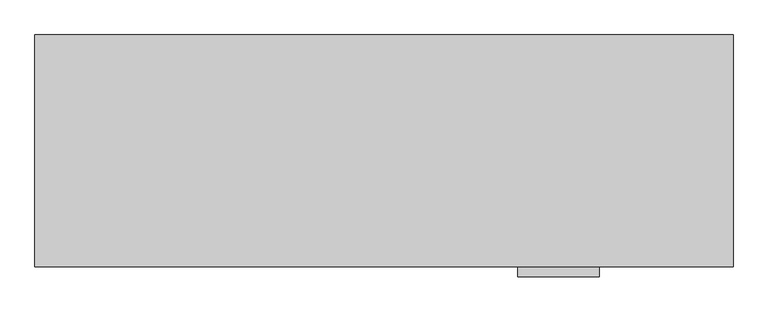
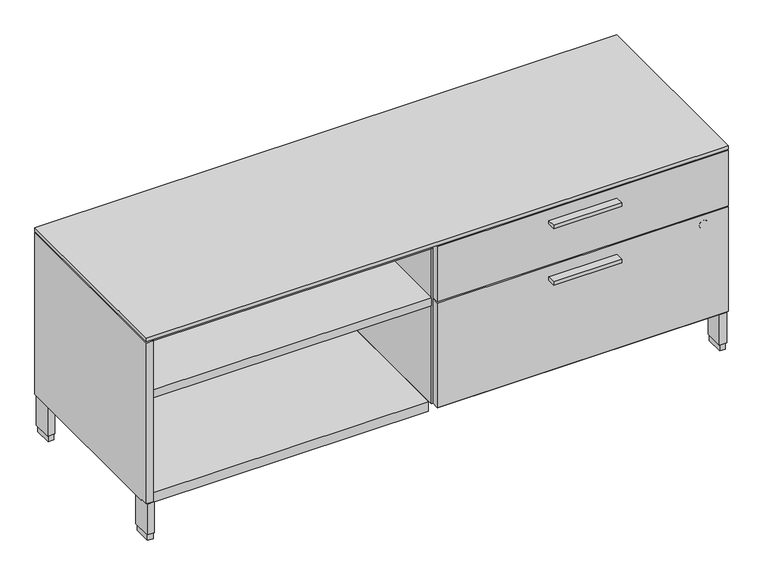
"""IFC4 building model written with IfcOpenShell, lengths in millimetres: furniture geometry."""

from ifc_helpers import new_model, si_unit, point, frame, frame_2d, origin, origin_with_axes, place, context, project, spatial, polyline, circle_curve, trimmed, segment, composite_curve, outline, extrude, faceted_brep, source, transform, mapped, element, save


def furniture_b9c8f60e(model_context):
    return source(origin(), model_context, "Body", "SolidModel", [
        extrude(outline(polyline([(1231.10625, -528.574), (1053.30625, -528.574), (1053.30625, -506.349), (1231.10625, -506.349), (1231.10625, -528.574)])), frame((0.0, 0.0, 354.838), z_axis=(0.0, 0.0, 1.0), x_axis=(1.0, 0.0, 0.0)), (0.0, 0.0, 1.0), 9.525),
        extrude(outline(polyline([(1231.10625, -528.574), (1053.30625, -528.574), (1053.30625, -506.349), (1231.10625, -506.349), (1231.10625, -528.574)])), frame((0.0, 0.0, 510.794), z_axis=(0.0, 0.0, 1.0), x_axis=(1.0, 0.0, 0.0)), (0.0, 0.0, 1.0), 9.525),
        extrude(outline(polyline([(1503.1085, -20.828), (1503.1085, -503.809), (764.2098, -503.809), (764.2098, -20.828), (1503.1085, -20.828)])), frame((0.0, 0.0, 102.108), z_axis=(0.0, 0.0, 1.0), x_axis=(1.0, 0.0, 0.0)), (0.0, 0.0, 1.0), 25.4),
        extrude(outline(polyline([(739.775, -20.828), (739.775, -503.809), (20.8915, -503.809), (20.8915, -20.828), (739.775, -20.828)])), frame((0.0, 0.0, 102.108), z_axis=(0.0, 0.0, 1.0), x_axis=(1.0, 0.0, 0.0)), (0.0, 0.0, 1.0), 25.4),
        extrude(outline(polyline([(21.2979, -5.715), (21.2979, -52.197), (6.5659, -52.197), (6.5659, -5.715), (21.2979, -5.715)])), origin_with_axes(), (0.0, 0.0, 1.0), 17.399),
        extrude(outline(polyline([(21.2979, -455.676), (21.2979, -502.158), (6.5659, -502.158), (6.5659, -455.676), (21.2979, -455.676)])), origin_with_axes(), (0.0, 0.0, 1.0), 17.399),
        extrude(outline(polyline([(1517.4341, -455.676), (1517.4341, -502.158), (1502.7021, -502.158), (1502.7021, -455.676), (1517.4341, -455.676)])), origin_with_axes(), (0.0, 0.0, 1.0), 17.399),
        extrude(outline(polyline([(1517.4341, -5.715), (1517.4341, -52.197), (1502.7021, -52.197), (1502.7021, -5.715), (1517.4341, -5.715)])), origin_with_axes(), (0.0, 0.0, 1.0), 17.399),
        extrude(outline(polyline([(23.4569, -3.556), (23.4569, -54.356), (4.4069, -54.356), (4.4069, -3.556), (23.4569, -3.556)])), frame((0.0, 0.0, 17.399), z_axis=(0.0, 0.0, 1.0), x_axis=(1.0, 0.0, 0.0)), (0.0, 0.0, 1.0), 84.709),
        extrude(outline(polyline([(1519.5931, -3.556), (1519.5931, -54.356), (1500.5431, -54.356), (1500.5431, -3.556), (1519.5931, -3.556)])), frame((0.0, 0.0, 17.399), z_axis=(0.0, 0.0, 1.0), x_axis=(1.0, 0.0, 0.0)), (0.0, 0.0, 1.0), 84.709),
        extrude(outline(polyline([(1519.5931, -453.517), (1519.5931, -504.317), (1500.5431, -504.317), (1500.5431, -453.517), (1519.5931, -453.517)])), frame((0.0, 0.0, 17.399), z_axis=(0.0, 0.0, 1.0), x_axis=(1.0, 0.0, 0.0)), (0.0, 0.0, 1.0), 84.709),
        extrude(outline(polyline([(23.4569, -453.517), (23.4569, -504.317), (4.4069, -504.317), (4.4069, -453.517), (23.4569, -453.517)])), frame((0.0, 0.0, 17.399), z_axis=(0.0, 0.0, 1.0), x_axis=(1.0, 0.0, 0.0)), (0.0, 0.0, 1.0), 84.709),
        extrude(outline(polyline([(20.8915, -20.828), (759.7902, -20.828), (759.7902, -483.2858), (20.8915, -483.2858), (20.8915, -20.828)])), frame((0.0, 0.0, 374.0912), z_axis=(0.0, 0.0, 1.0), x_axis=(1.0, 0.0, 0.0)), (0.0, 0.0, 1.0), 22.225),
        extrude(outline(polyline([(759.7902, -20.828), (782.0152, -20.828), (782.0152, -483.2858), (759.7902, -483.2858), (759.7902, -20.828)])), frame((0.0, 0.0, 102.108), z_axis=(0.0, 0.0, 1.0), x_axis=(1.0, 0.0, 0.0)), (0.0, 0.0, 1.0), 428.625),
        extrude(outline(polyline([(1522.4125, -487.045), (1522.4125, -506.349), (762.0, -506.349), (762.0, -487.045), (1522.4125, -487.045)])), frame((0.0, 0.0, 105.283), z_axis=(0.0, 0.0, 1.0), x_axis=(1.0, 0.0, 0.0)), (0.0, 0.0, 1.0), 288.798),
        extrude(outline(polyline([(1522.4125, -487.045), (1522.4125, -506.349), (762.0, -506.349), (762.0, -487.045), (1522.4125, -487.045)])), frame((0.0, 0.0, 397.256), z_axis=(0.0, 0.0, 1.0), x_axis=(1.0, 0.0, 0.0)), (0.0, 0.0, 1.0), 152.781),
        extrude(outline(composite_curve([segment(trimmed(circle_curve(frame_2d((368.681, 1457.74918)), 11.176), [point((368.681, 1468.92518))], [point((368.681, 1446.57318))], False, "CARTESIAN"), True, "CONTINUOUS"), segment(trimmed(circle_curve(frame_2d((368.681, 1457.74918)), 11.176), [point((368.681, 1446.57318))], [point((368.681, 1468.92518))], False, "CARTESIAN"), True, "CONTINUOUS")], self_intersect=False)), frame((0.0, -506.603, 0.0), z_axis=(0.0, 1.0, 0.0), x_axis=(0.0, 0.0, 1.0)), (0.0, 0.0, 1.0), 4.69392),
        extrude(outline(polyline([(1522.4125, -506.349), (1.5875, -506.349), (1.5875, -1.524), (1522.4125, -1.524), (1522.4125, -506.349)])), frame((0.0, 0.0, 553.212), z_axis=(0.0, 0.0, 1.0), x_axis=(1.0, 0.0, 0.0)), (0.0, 0.0, 1.0), 9.75868),
        faceted_brep([(19.304, -506.349, 550.037), (1.5875, -506.349, 550.037), (1.5875, -506.349, 105.283), (19.304, -506.349, 105.283), (1522.4125, -1.524, 550.037), (1522.4125, -1.524, 102.108), (1.5875, -1.524, 102.108), (1.5875, -1.524, 550.037), (19.304, -483.2858, 550.037), (1522.4125, -483.2858, 550.037), (1.5875, -483.2858, 102.108), (1.5875, -483.2858, 105.283), (1522.4125, -483.2858, 102.108), (1503.1085, -20.828, 530.733), (20.8915, -20.828, 530.733), (20.8915, -20.828, 102.108), (1503.1085, -20.828, 102.108), (1503.1085, -483.2858, 530.733), (20.8915, -483.2858, 530.733), (20.8915, -483.2858, 102.108), (1503.1085, -483.2858, 102.108), (19.304, -483.2858, 105.283)], [[[0, 1, 2, 3]], [[4, 5, 6, 7]], [[4, 7, 1, 0, 8, 9]], [[7, 6, 10, 11, 2, 1]], [[5, 4, 9, 12]], [[13, 14, 15, 16]], [[14, 13, 17, 18]], [[15, 14, 18, 19]], [[13, 16, 20, 17]], [[8, 0, 3, 21]], [[9, 8, 21, 11, 10, 19, 18, 17, 20, 12]], [[11, 21, 3, 2]], [[6, 5, 12, 20, 16, 15, 19, 10]]]),
    ])


if __name__ == "__main__":
    model = new_model("IFC4")
    model_context = context("Model", 3, world=origin())
    ifc_project = project(units=[si_unit("LENGTHUNIT", "METRE", prefix="MILLI")], contexts=[model_context])
    site = spatial("IfcSite", under=ifc_project)
    building = spatial("IfcBuilding", under=site)
    placement = place(None, origin())
    furniture_shape = furniture_b9c8f60e(model_context)
    element("IfcFurniture", 1, at=placement, inside=building, context=model_context, shape_type="MappedRepresentation", body=[
        mapped(furniture_shape, transform((0.0, 0.0, 0.0), x_axis=(1.0, 0.0, 0.0), y_axis=(0.0, 1.0, 0.0), z_axis=(0.0, 0.0, 1.0))),
    ])
    save(model, "model.ifc")
